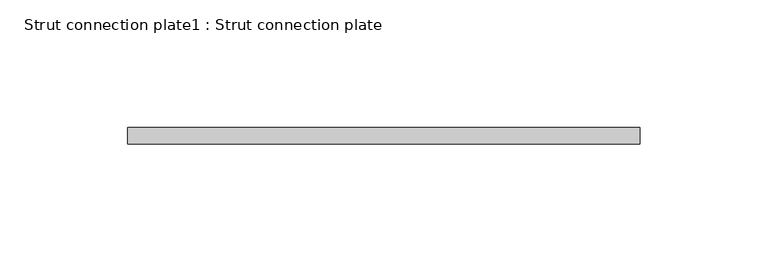
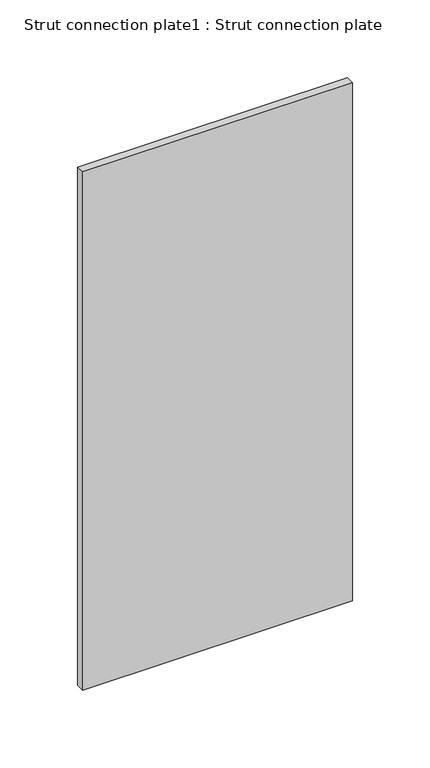
"""IFC4 building model written with IfcOpenShell, lengths in millimetres: proxy geometry, Strut connection plate1 : Strut connection plate."""

from ifc_helpers import new_model, si_unit, frame, origin, place, context, project, spatial, polyline, outline, extrude, source, transform, mapped, element, save


def strut_connection_plate1_strut_connection_plate_c6972910(model_context):
    return source(origin(), model_context, "Body", "SweptSolid", [
        extrude(outline(polyline([(227061.4159206, 155372.5596581), (226860.9720675, 155372.5596581), (226860.9720675, 155378.9096581), (227061.4159206, 155378.9096581), (227061.4159206, 155372.5596581)])), frame((0.0, 0.0, 956.5592564), z_axis=(0.0, 0.0, 1.0), x_axis=(1.0, 0.0, 0.0)), (0.0, 0.0, 1.0), 407.0272339),
    ])


if __name__ == "__main__":
    model = new_model("IFC4")
    model_context = context("Model", 3, world=origin())
    ifc_project = project(units=[si_unit("LENGTHUNIT", "METRE", prefix="MILLI")], contexts=[model_context])
    site = spatial("IfcSite", under=ifc_project)
    building = spatial("IfcBuilding", under=site)
    placement = place(None, origin())
    strut_connection_plate1_strut_connection_plate_shape = strut_connection_plate1_strut_connection_plate_c6972910(model_context)
    element("IfcBuildingElementProxy", 1, Name="Strut connection plate1 : Strut connection plate", ObjectType="Strut connection plate1 : Strut connection plate", at=placement, inside=building, context=model_context, shape_type="MappedRepresentation", body=[
        mapped(strut_connection_plate1_strut_connection_plate_shape, transform((0.0, 0.0, 0.0), x_axis=(1.0, 0.0, 0.0), y_axis=(0.0, 1.0, 0.0), z_axis=(0.0, 0.0, 1.0))),
    ])
    save(model, "model.ifc")
